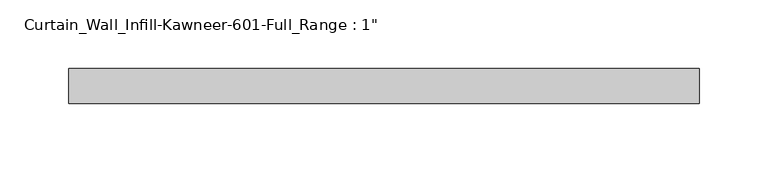
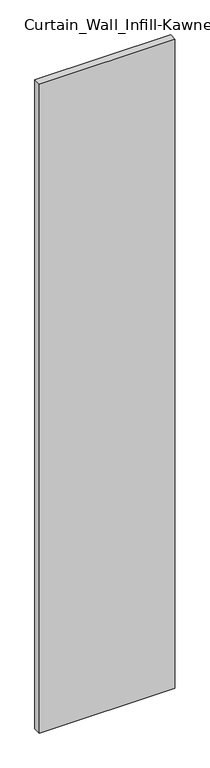
"""IFC4 building model written with IfcOpenShell, lengths in millimetres: plate geometry."""

from ifc_helpers import new_model, si_unit, origin, origin_with_axes, place, context, project, spatial, polyline, outline, extrude, source, transform, mapped, element, save


def plate_52f80342(model_context):
    return source(origin(), model_context, "Body", "SweptSolid", [
        extrude(outline(polyline([(-228.6, 0.0), (228.6, 0.0), (228.6, -25.4), (-228.6, -25.4), (-228.6, 0.0)])), origin_with_axes(), (0.0, 0.0, 1.0), 2311.4),
    ])


if __name__ == "__main__":
    model = new_model("IFC4")
    model_context = context("Model", 3, world=origin())
    ifc_project = project(units=[si_unit("LENGTHUNIT", "METRE", prefix="MILLI")], contexts=[model_context])
    site = spatial("IfcSite", under=ifc_project)
    building = spatial("IfcBuilding", under=site)
    placement = place(None, origin())
    plate_shape = plate_52f80342(model_context)
    element("IfcPlate", 1, ObjectType="Curtain_Wall_Infill-Kawneer-601-Full_Range : 1\"", at=placement, inside=building, context=model_context, shape_type="MappedRepresentation", body=[
        mapped(plate_shape, transform((0.0, 0.0, 0.0), x_axis=(1.0, 0.0, 0.0), y_axis=(0.0, 1.0, 0.0), z_axis=(0.0, 0.0, 1.0))),
    ])
    save(model, "model.ifc")
